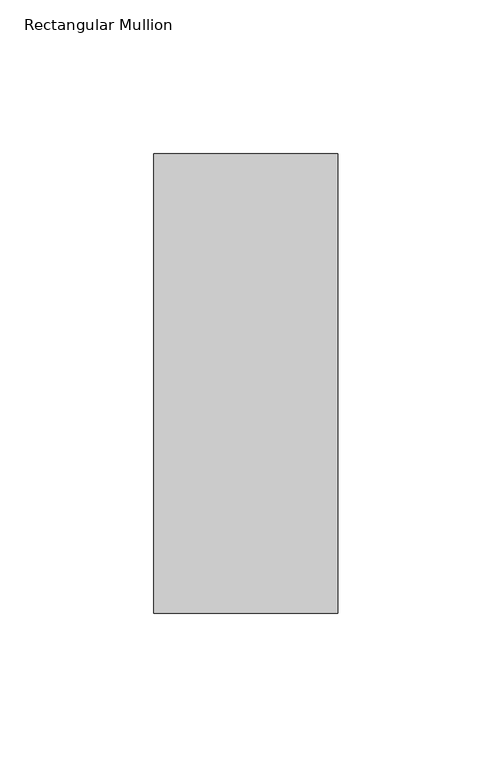
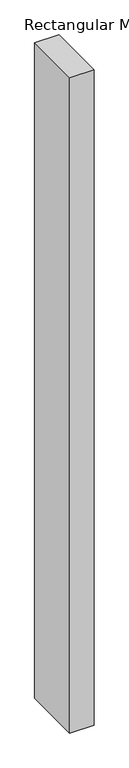
"""IFC4 building model written with IfcOpenShell, lengths in millimetres: member geometry, Rectangular Mullion."""

from ifc_helpers import new_model, si_unit, frame, origin, place, context, project, spatial, polyline, outline, extrude, source, transform, mapped, element, save


def rectangular_mullion_732b9892(model_context):
    return source(origin(), model_context, "Body", "SweptSolid", [
        extrude(outline(polyline([(30.0, 102.84375), (30.0, -46.84375), (-30.0, -46.84375), (-30.0, 102.84375), (30.0, 102.84375)])), frame((0.0, 0.0, -1708.8912252), z_axis=(0.0, 0.0, 1.0), x_axis=(1.0, 0.0, 0.0)), (0.0, 0.0, 1.0), 1708.8912252),
    ])


if __name__ == "__main__":
    model = new_model("IFC4")
    model_context = context("Model", 3, world=origin())
    ifc_project = project(units=[si_unit("LENGTHUNIT", "METRE", prefix="MILLI")], contexts=[model_context])
    site = spatial("IfcSite", under=ifc_project)
    building = spatial("IfcBuilding", under=site)
    placement = place(None, origin())
    rectangular_mullion_shape = rectangular_mullion_732b9892(model_context)
    element("IfcMember", 1, ObjectType="Rectangular Mullion", at=placement, inside=building, context=model_context, shape_type="MappedRepresentation", body=[
        mapped(rectangular_mullion_shape, transform((0.0, 0.0, 0.0), x_axis=(1.0, 0.0, 0.0), y_axis=(0.0, 1.0, 0.0), z_axis=(0.0, 0.0, 1.0))),
    ])
    save(model, "model.ifc")
